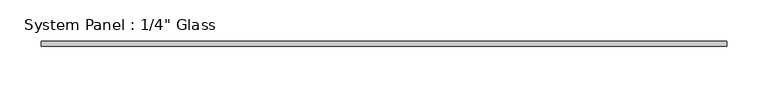
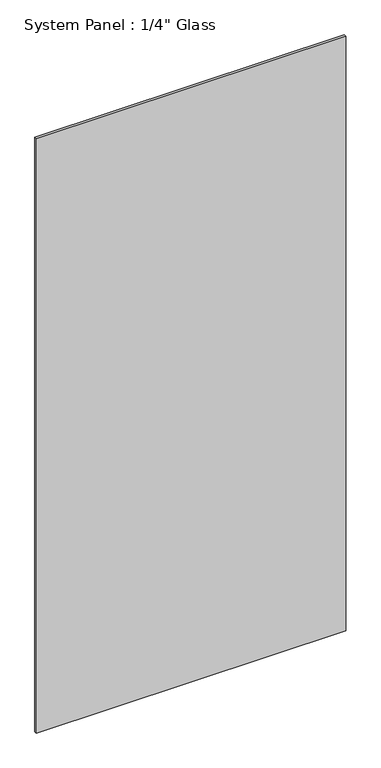
"""IFC4 building model written with IfcOpenShell, lengths in millimetres: plate geometry."""

from ifc_helpers import new_model, si_unit, origin, origin_with_axes, place, context, project, spatial, polyline, outline, extrude, source, transform, mapped, element, save


def plate_f9099965(model_context):
    return source(origin(), model_context, "Body", "SweptSolid", [
        extrude(outline(polyline([(417.5125, -3.175), (-417.5125, -3.175), (-417.5125, 3.175), (417.5125, 3.175), (417.5125, -3.175)])), origin_with_axes(), (0.0, 0.0, 1.0), 1695.45),
    ])


if __name__ == "__main__":
    model = new_model("IFC4")
    model_context = context("Model", 3, world=origin())
    ifc_project = project(units=[si_unit("LENGTHUNIT", "METRE", prefix="MILLI")], contexts=[model_context])
    site = spatial("IfcSite", under=ifc_project)
    building = spatial("IfcBuilding", under=site)
    placement = place(None, origin())
    plate_shape = plate_f9099965(model_context)
    element("IfcPlate", 1, ObjectType="System Panel : 1/4\" Glass", at=placement, inside=building, context=model_context, shape_type="MappedRepresentation", body=[
        mapped(plate_shape, transform((0.0, 0.0, 0.0), x_axis=(1.0, 0.0, 0.0), y_axis=(0.0, 1.0, 0.0), z_axis=(0.0, 0.0, 1.0))),
    ])
    save(model, "model.ifc")
